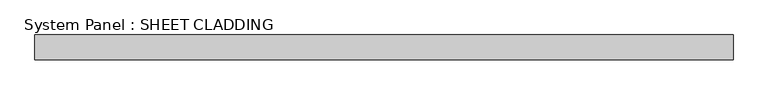
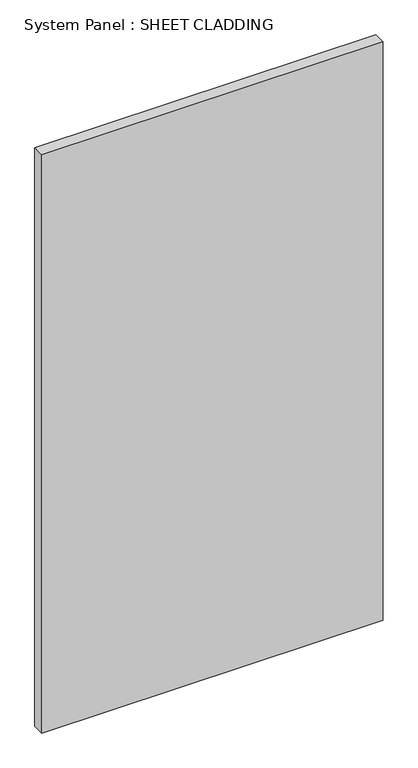
"""IFC4 building model written with IfcOpenShell, lengths in millimetres: plate geometry, System Panel : SHEET CLADDING."""

import ifcopenshell
import ifcopenshell.guid

model = None  # the IFC model being written
_history = None  # IfcOwnerHistory: only IFC2X3 demands one
_inside = {}  # id of a spatial element -> (the spatial element, [elements in it])
_under = {}  # id of a project, library or spatial element -> (it, [spatial elements below it])
_declared = {}  # id of a project -> (the project, [libraries it declares])
_typed = {}  # id of a type object -> (the type object, [elements of that type])
_made_of = {}  # id of a material, layer set ... -> (it, [elements and type objects made of it])


def new_model(schema):
    """Start an empty IFC model of exactly this schema.

    Asked for "IFC4X3", IfcOpenShell would pick the latest addendum, in which some entities
    have other attributes; the version numbers below select the first issue.
    IFC2X3 requires an IfcOwnerHistory on every rooted entity: one is made here for all.
    """
    global model, _history
    if schema == "IFC4X3":
        model = ifcopenshell.file(schema_version=(4, 3, 0, 0))
    else:
        model = ifcopenshell.file(schema=schema)
    _inside.clear()
    _under.clear()
    _declared.clear()
    _typed.clear()
    _made_of.clear()
    _history = None
    if model.schema == "IFC2X3":
        org = make("IfcOrganization", Name="unknown")
        user = make(
            "IfcPersonAndOrganization",
            ThePerson=make("IfcPerson", FamilyName="unknown"),
            TheOrganization=org,
        )
        app = make(
            "IfcApplication",
            ApplicationDeveloper=org,
            Version="unknown",
            ApplicationFullName="unknown",
            ApplicationIdentifier="unknown",
        )
        _history = make(
            "IfcOwnerHistory",
            OwningUser=user,
            OwningApplication=app,
            ChangeAction="ADDED",
            CreationDate=0,
        )
    return model


def make(cls, **values):
    """One entity of the class cls with the attributes given. An attribute that is None is left unset."""
    return model.create_entity(
        cls, **{name: value for name, value in values.items() if value is not None}
    )


def rooted(cls, **values):
    """An entity with a GlobalId (a new one), such as an element, a storey or a relation."""
    return make(cls, GlobalId=ifcopenshell.guid.new(), OwnerHistory=_history, **values)


def si_unit(unit_type, name, prefix=None):
    """IfcSIUnit, for example si_unit("LENGTHUNIT", "METRE", prefix="MILLI")."""
    return make("IfcSIUnit", UnitType=unit_type, Prefix=prefix, Name=name)


def assignment(units):
    """IfcUnitAssignment: the units of a project."""
    return None if units is None else make("IfcUnitAssignment", Units=units)


def point(xyz):
    """IfcCartesianPoint."""
    return None if xyz is None else make("IfcCartesianPoint", Coordinates=xyz)


def direction(xyz):
    """IfcDirection."""
    return None if xyz is None else make("IfcDirection", DirectionRatios=xyz)


def frame(location, z_axis=None, x_axis=None):
    """IfcAxis2Placement3D, a coordinate frame: its origin and axes. An axis left out is left unset."""
    return make(
        "IfcAxis2Placement3D",
        Location=point(location),
        Axis=direction(z_axis),
        RefDirection=direction(x_axis),
    )


def origin():
    """The frame at (0, 0, 0) with its axes left unset."""
    return frame((0.0, 0.0, 0.0))


def origin_with_axes():
    """The frame at (0, 0, 0) with the z axis (0, 0, 1) and the x axis (1, 0, 0) written out."""
    return frame((0.0, 0.0, 0.0), z_axis=(0.0, 0.0, 1.0), x_axis=(1.0, 0.0, 0.0))


def place(relative_to, where):
    """IfcLocalPlacement: puts the frame where relative to a parent placement (None: the world)."""
    return make(
        "IfcLocalPlacement", PlacementRelTo=relative_to, RelativePlacement=where
    )


def context(
    kind, dimensions, precision=None, world=None, true_north=None, identifier=None
):
    """IfcGeometricRepresentationContext, for example the 3D "Model" context."""
    return make(
        "IfcGeometricRepresentationContext",
        ContextIdentifier=identifier,
        ContextType=kind,
        CoordinateSpaceDimension=dimensions,
        Precision=precision,
        WorldCoordinateSystem=world,
        TrueNorth=true_north,
    )


def project(units=None, contexts=None):
    """IfcProject with its units and contexts."""
    return rooted(
        "IfcProject",
        Name="project",
        RepresentationContexts=contexts,
        UnitsInContext=assignment(units),
    )


def spatial(cls, under=None, at=None, **own):
    """A site, building, storey or space (cls), placed at a placement, below another one or the project."""
    s = rooted(cls, ObjectPlacement=at, **own)
    if under is not None:
        _under.setdefault(under.id(), (under, []))[1].append(s)
    return s


def polyline(points):
    """IfcPolyline through the points."""
    return make("IfcPolyline", Points=[point(p) for p in points])


def outline(outer, holes=None, kind="AREA"):
    """IfcArbitraryClosedProfileDef: a profile drawn as a closed curve; with holes, ...WithVoids."""
    if holes is None:
        return make("IfcArbitraryClosedProfileDef", ProfileType=kind, OuterCurve=outer)
    return make(
        "IfcArbitraryProfileDefWithVoids",
        ProfileType=kind,
        OuterCurve=outer,
        InnerCurves=holes,
    )


def extrude(swept, where, along, depth):
    """IfcExtrudedAreaSolid: the profile swept, set in the frame where, extruded along a direction by depth."""
    return make(
        "IfcExtrudedAreaSolid",
        SweptArea=swept,
        Position=where,
        ExtrudedDirection=direction(along),
        Depth=depth,
    )


def shape(context_of_items, identifier, shape_type, items):
    """IfcShapeRepresentation: the items that make up one representation, for example the "Body"."""
    return make(
        "IfcShapeRepresentation",
        ContextOfItems=context_of_items,
        RepresentationIdentifier=identifier,
        RepresentationType=shape_type,
        Items=items,
    )


def source(mapping_origin, context_of_items, identifier, shape_type, items):
    """IfcRepresentationMap: a shape defined once, which mapped items show again and again."""
    return make(
        "IfcRepresentationMap",
        MappingOrigin=mapping_origin,
        MappedRepresentation=shape(context_of_items, identifier, shape_type, items),
    )


def transform(
    local_origin,
    x_axis=None,
    y_axis=None,
    z_axis=None,
    scale=None,
    scale2=None,
    scale3=None,
    uniform=True,
):
    """IfcCartesianTransformationOperator3D, or its non-uniform kind. x_axis, y_axis, z_axis: its Axis1, 2, 3."""
    if uniform:
        return make(
            "IfcCartesianTransformationOperator3D",
            Axis1=direction(x_axis),
            Axis2=direction(y_axis),
            LocalOrigin=point(local_origin),
            Scale=scale,
            Axis3=direction(z_axis),
        )
    return make(
        "IfcCartesianTransformationOperator3DnonUniform",
        Axis1=direction(x_axis),
        Axis2=direction(y_axis),
        LocalOrigin=point(local_origin),
        Scale=scale,
        Axis3=direction(z_axis),
        Scale2=scale2,
        Scale3=scale3,
    )


def mapped(mapping_source, mapping_target):
    """IfcMappedItem: shows the shape of a source again, moved by a transform."""
    return make(
        "IfcMappedItem", MappingSource=mapping_source, MappingTarget=mapping_target
    )


def made_of(thing, what):
    """Note that an element or type object is made of a material, layer set ...; save() writes the relation."""
    if what is not None:
        _made_of.setdefault(what.id(), (what, []))[1].append(thing)
    return thing


def element(
    cls,
    number,
    at=None,
    inside=None,
    cuts=None,
    type_object=None,
    material=None,
    context=None,
    identifier="Body",
    shape_type=None,
    held_by="IfcProductDefinitionShape",
    body=None,
    shapes=None,
    **own,
):
    """One element of the class cls, such as IfcWall. Its Tag is "e" and its number.

    at: its placement. inside: the storey or other place that contains it. cuts: it is an
    opening in that element (IfcRelVoidsElement). A single representation is given by context,
    identifier, shape_type and body (its items); several are given by shapes. held_by: the class
    of the entity that holds the representations. save() writes the other relations.
    """
    e = rooted(cls, Tag="e%d" % number, ObjectPlacement=at, **own)
    if body is not None:
        shapes = [shape(context, identifier, shape_type, body)]
    if shapes is not None:
        e.Representation = make(held_by, Representations=shapes)
    if inside is not None:
        _inside.setdefault(inside.id(), (inside, []))[1].append(e)
    if cuts is not None:
        rooted(
            "IfcRelVoidsElement", RelatingBuildingElement=cuts, RelatedOpeningElement=e
        )
    if type_object is not None:
        _typed.setdefault(type_object.id(), (type_object, []))[1].append(e)
    return made_of(e, material)


def aggregate(whole, parts):
    """IfcRelAggregates: a whole, such as a stair, and the parts it consists of."""
    return rooted("IfcRelAggregates", RelatingObject=whole, RelatedObjects=parts)


def save(model, path):
    """Write the relations noted so far, then the file.

    IfcRelAggregates (storeys below a building ...), IfcRelContainedInSpatialStructure (elements
    in a storey), IfcRelDefinesByType, IfcRelAssociatesMaterial and IfcRelDeclares: one each for
    every whole, place, type object, material and project.
    """
    for whole, parts in _under.values():
        aggregate(whole, parts)
    for where, things in _inside.values():
        rooted(
            "IfcRelContainedInSpatialStructure",
            RelatedElements=things,
            RelatingStructure=where,
        )
    for kind, things in _typed.values():
        rooted("IfcRelDefinesByType", RelatedObjects=things, RelatingType=kind)
    for what, things in _made_of.values():
        rooted("IfcRelAssociatesMaterial", RelatedObjects=things, RelatingMaterial=what)
    for by, libraries in _declared.values():
        rooted("IfcRelDeclares", RelatingContext=by, RelatedDefinitions=libraries)
    model.write(path)


def system_panel_sheet_cladding_6c97e230(model_context):
    return source(origin(), model_context, "Body", "SweptSolid", [
        extrude(outline(polyline([(846.6012095, -49.5), (-846.6012095, -49.5), (-846.6012095, 10.5), (846.6012095, 10.5), (846.6012095, -49.5)])), origin_with_axes(), (0.0, 0.0, 1.0), 3031.35),
    ])


if __name__ == "__main__":
    model = new_model("IFC4")
    model_context = context("Model", 3, world=origin())
    ifc_project = project(units=[si_unit("LENGTHUNIT", "METRE", prefix="MILLI")], contexts=[model_context])
    site = spatial("IfcSite", under=ifc_project)
    building = spatial("IfcBuilding", under=site)
    placement = place(None, origin())
    system_panel_sheet_cladding_shape = system_panel_sheet_cladding_6c97e230(model_context)
    element("IfcPlate", 1, ObjectType="System Panel : SHEET CLADDING", at=placement, inside=building, context=model_context, shape_type="MappedRepresentation", body=[
        mapped(system_panel_sheet_cladding_shape, transform((0.0, 0.0, 0.0), x_axis=(1.0, 0.0, 0.0), y_axis=(0.0, 1.0, 0.0), z_axis=(0.0, 0.0, 1.0))),
    ])
    save(model, "model.ifc")
